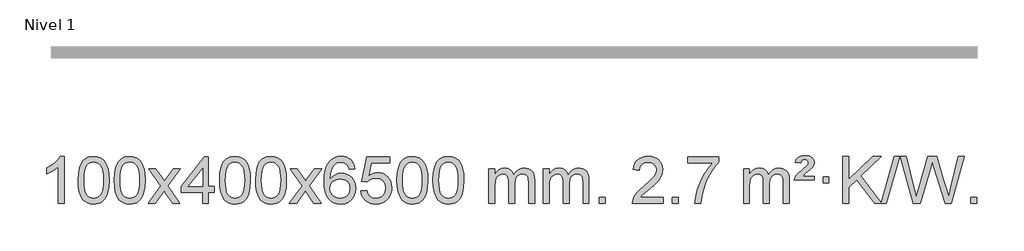
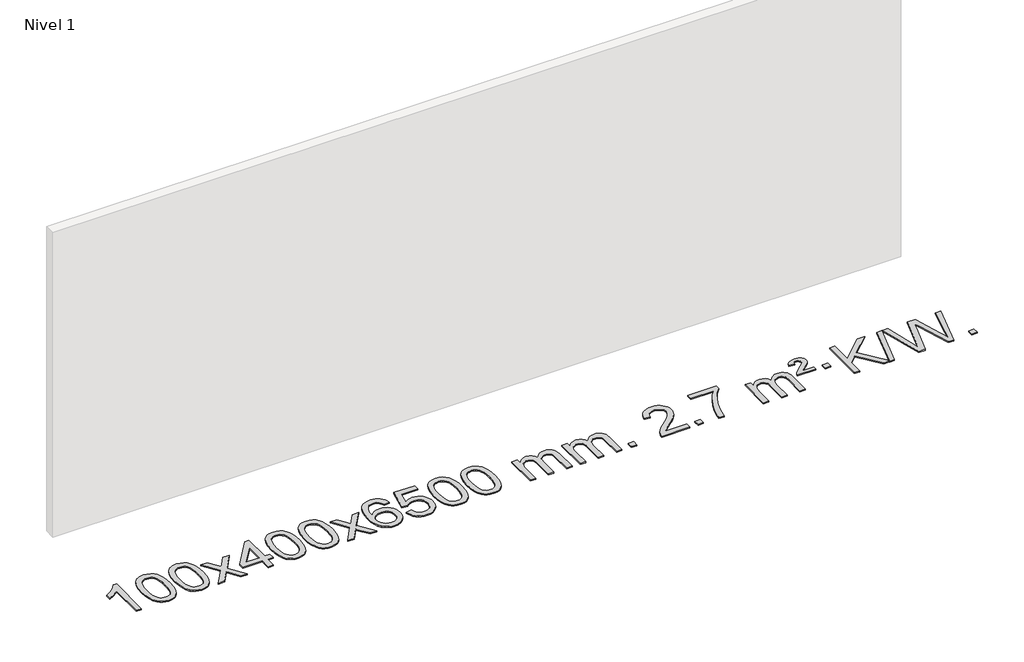
# One storey, part 2 of 21: 1 proxy.
"""IFC4 building model written with IfcOpenShell, lengths in millimetres."""

from ifc_helpers import new_model, si_unit, origin, origin_with_axes, place, context, project, spatial, polyline, outline, extrude, element, save

model = new_model("IFC4")

# Units and contexts
model_context = context("Model", 3, world=origin())
ifc_project = project(units=[si_unit("LENGTHUNIT", "METRE", prefix="MILLI")], contexts=[model_context])

# Site, building, storey
site = spatial("IfcSite", under=ifc_project)
building = spatial("IfcBuilding", under=site)
storey = spatial("IfcBuildingStorey", under=building, Name="Nivel 1", Elevation=0.0)

# Proxy
placement = place(None, origin())
element("IfcBuildingElementProxy", 1, Name="Texto de modelo 1", ObjectType="Texto de modelo 1", at=placement, inside=storey, context=model_context, shape_type="SweptSolid", body=[
    extrude(outline(polyline([(-12921.6378538, -15465.579453), (-12971.8660089, -15465.579453), (-12971.8660089, -15152.4382987), (-12992.8352826, -15169.3976587), (-13019.4454136, -15186.3324932), (-13072.3223191, -15211.6918254), (-13072.3223191, -15164.2105225), (-13032.8731065, -15142.7507395), (-12998.6968691, -15117.219729), (-12971.7556443, -15090.0700378), (-12954.0114694, -15063.7542124), (-12921.6378538, -15063.7542124), (-12921.6378538, -15465.579453)])), origin_with_axes(), (0.0, 0.0, 1.0), 10.0),
    extrude(outline(polyline([(-12802.3459855, -15267.9041943), (-12798.6549029, -15203.5861588), (-12787.5816548, -15152.2911459), (-12769.236606, -15113.2343407), (-12757.378543, -15098.0009605), (-12743.730121, -15085.6309284), (-12728.2453547, -15076.0598651), (-12710.8782588, -15069.2233914), (-12670.4970785, -15063.7542124), (-12639.5459399, -15066.991574), (-12611.832163, -15076.7036586), (-12588.6555973, -15092.5103217), (-12571.3160926, -15114.0314184), (-12558.2194935, -15141.0830078), (-12547.7716449, -15173.4811488), (-12540.9290398, -15214.6226186), (-12538.6481714, -15267.9041943), (-12542.3024659, -15331.8543477), (-12553.2653493, -15383.0267333), (-12571.5000336, -15422.1203266), (-12583.3305054, -15437.3996922), (-12596.9697304, -15449.8341036), (-12612.4728908, -15459.4695462), (-12629.8951689, -15466.3520052), (-12670.4970785, -15471.8579724), (-12698.1618045, -15469.4667394), (-12722.6872709, -15462.2930405), (-12744.0734775, -15450.3368757), (-12762.3204245, -15433.5982449), (-12779.8316074, -15403.3399508), (-12792.3395953, -15365.6381776), (-12799.844388, -15320.4929255), (-12802.3459855, -15267.9041943)]), holes=[polyline([(-12752.1178305, -15267.8060924), (-12750.6463025, -15311.4706195), (-12746.2317185, -15346.8148822), (-12738.8740786, -15373.8388804), (-12728.5733828, -15392.5426142), (-12716.1144459, -15405.2682656), (-12702.2820829, -15414.3580165), (-12687.0762937, -15419.8118671), (-12670.4970785, -15421.6298173), (-12653.9178632, -15419.8057357), (-12638.7120741, -15414.3334911), (-12624.8797111, -15405.2130833), (-12612.4207742, -15392.4445124), (-12602.1200783, -15373.7101217), (-12594.7624384, -15346.6922549), (-12590.3478545, -15311.3909118), (-12588.8763265, -15267.8060924), (-12590.2988035, -15225.2973278), (-12594.5662347, -15190.5753989), (-12601.6786199, -15163.6403055), (-12611.6359592, -15144.4920476), (-12623.8864297, -15131.1440625), (-12637.8782082, -15121.6097875), (-12653.6112949, -15115.8892225), (-12671.0856897, -15113.9823675), (-12687.5790658, -15115.6623619), (-12702.5273375, -15120.7023452), (-12715.9305049, -15129.1023175), (-12727.7885679, -15140.8622786), (-12738.4326203, -15161.708925), (-12746.0355148, -15189.8151094), (-12750.5972516, -15225.1808319), (-12752.1178305, -15267.8060924)])]), origin_with_axes(), (0.0, 0.0, 1.0), 10.0),
    extrude(outline(polyline([(-12494.6985357, -15267.9041943), (-12491.007453, -15203.5861588), (-12479.934205, -15152.2911459), (-12461.5891561, -15113.2343407), (-12449.7310932, -15098.0009605), (-12436.0826711, -15085.6309284), (-12420.5979048, -15076.0598651), (-12403.230809, -15069.2233914), (-12362.8496286, -15063.7542124), (-12331.8984901, -15066.991574), (-12304.1847131, -15076.7036586), (-12281.0081474, -15092.5103217), (-12263.6686427, -15114.0314184), (-12250.5720437, -15141.0830078), (-12240.1241951, -15173.4811488), (-12233.2815899, -15214.6226186), (-12231.0007216, -15267.9041943), (-12234.6550161, -15331.8543477), (-12245.6178995, -15383.0267333), (-12263.8525837, -15422.1203266), (-12275.6830556, -15437.3996922), (-12289.3222805, -15449.8341036), (-12304.825441, -15459.4695462), (-12322.2477191, -15466.3520052), (-12362.8496286, -15471.8579724), (-12390.5143547, -15469.4667394), (-12415.039821, -15462.2930405), (-12436.4260277, -15450.3368757), (-12454.6729746, -15433.5982449), (-12472.1841576, -15403.3399508), (-12484.6921454, -15365.6381776), (-12492.1969381, -15320.4929255), (-12494.6985357, -15267.9041943)]), holes=[polyline([(-12444.4703806, -15267.8060924), (-12442.9988527, -15311.4706195), (-12438.5842687, -15346.8148822), (-12431.2266288, -15373.8388804), (-12420.9259329, -15392.5426142), (-12408.466996, -15405.2682656), (-12394.634633, -15414.3580165), (-12379.4288439, -15419.8118671), (-12362.8496286, -15421.6298173), (-12346.2704134, -15419.8057357), (-12331.0646243, -15414.3334911), (-12317.2322612, -15405.2130833), (-12304.7733243, -15392.4445124), (-12294.4726285, -15373.7101217), (-12287.1149886, -15346.6922549), (-12282.7004046, -15311.3909118), (-12281.2288766, -15267.8060924), (-12282.6513537, -15225.2973278), (-12286.9187848, -15190.5753989), (-12294.0311701, -15163.6403055), (-12303.9885094, -15144.4920476), (-12316.2389799, -15131.1440625), (-12330.2307584, -15121.6097875), (-12345.9638451, -15115.8892225), (-12363.4382398, -15113.9823675), (-12379.931616, -15115.6623619), (-12394.8798877, -15120.7023452), (-12408.283055, -15129.1023175), (-12420.141118, -15140.8622786), (-12430.7851704, -15161.708925), (-12438.388065, -15189.8151094), (-12442.9498017, -15225.1808319), (-12444.4703806, -15267.8060924)])]), origin_with_axes(), (0.0, 0.0, 1.0), 10.0),
    extrude(outline(polyline([(-12205.886644, -15465.579453), (-12098.5632033, -15317.2494325), (-12199.6081246, -15170.4890419), (-12139.1773756, -15170.4890419), (-12090.4207485, -15241.122385), (-12067.6611157, -15274.4770192), (-12047.9426408, -15247.2047007), (-11992.416985, -15170.4890419), (-11931.9862359, -15170.4890419), (-12038.1324542, -15317.2494325), (-11935.9103105, -15465.579453), (-11996.3410596, -15465.579453), (-12057.8509292, -15376.4048574), (-12069.1326437, -15360.1199477), (-12145.455895, -15465.579453), (-12205.886644, -15465.579453)])), origin_with_axes(), (0.0, 0.0, 1.0), 10.0),
    extrude(outline(polyline([(-11741.2762096, -15465.579453), (-11741.2762096, -15371.4016622), (-11923.3532717, -15371.4016622), (-11923.3532717, -15321.1735072), (-11728.7191708, -15070.0327318), (-11691.0480545, -15070.0327318), (-11691.0480545, -15321.1735072), (-11640.8198994, -15321.1735072), (-11640.8198994, -15371.4016622), (-11691.0480545, -15371.4016622), (-11691.0480545, -15465.579453), (-11741.2762096, -15465.579453)]), holes=[polyline([(-11741.2762096, -15321.1735072), (-11741.2762096, -15165.9763561), (-11861.5490965, -15321.1735072), (-11741.2762096, -15321.1735072)])]), origin_with_axes(), (0.0, 0.0, 1.0), 10.0),
    extrude(outline(polyline([(-11596.8702638, -15267.9041943), (-11593.1791811, -15203.5861588), (-11582.105933, -15152.2911459), (-11563.7608842, -15113.2343407), (-11551.9028212, -15098.0009605), (-11538.2543992, -15085.6309284), (-11522.7696329, -15076.0598651), (-11505.402537, -15069.2233914), (-11465.0213567, -15063.7542124), (-11434.0702182, -15066.991574), (-11406.3564412, -15076.7036586), (-11383.1798755, -15092.5103217), (-11365.8403708, -15114.0314184), (-11352.7437718, -15141.0830078), (-11342.2959231, -15173.4811488), (-11335.453318, -15214.6226186), (-11333.1724496, -15267.9041943), (-11336.8267441, -15331.8543477), (-11347.7896275, -15383.0267333), (-11366.0243118, -15422.1203266), (-11377.8547836, -15437.3996922), (-11391.4940086, -15449.8341036), (-11406.997169, -15459.4695462), (-11424.4194471, -15466.3520052), (-11465.0213567, -15471.8579724), (-11492.6860827, -15469.4667394), (-11517.2115491, -15462.2930405), (-11538.5977557, -15450.3368757), (-11556.8447027, -15433.5982449), (-11574.3558856, -15403.3399508), (-11586.8638735, -15365.6381776), (-11594.3686662, -15320.4929255), (-11596.8702638, -15267.9041943)]), holes=[polyline([(-11546.6421087, -15267.8060924), (-11545.1705807, -15311.4706195), (-11540.7559968, -15346.8148822), (-11533.3983568, -15373.8388804), (-11523.097661, -15392.5426142), (-11510.6387241, -15405.2682656), (-11496.8063611, -15414.3580165), (-11481.6005719, -15419.8118671), (-11465.0213567, -15421.6298173), (-11448.4421414, -15419.8057357), (-11433.2363523, -15414.3334911), (-11419.4039893, -15405.2130833), (-11406.9450524, -15392.4445124), (-11396.6443565, -15373.7101217), (-11389.2867166, -15346.6922549), (-11384.8721327, -15311.3909118), (-11383.4006047, -15267.8060924), (-11384.8230817, -15225.2973278), (-11389.0905129, -15190.5753989), (-11396.2028981, -15163.6403055), (-11406.1602375, -15144.4920476), (-11418.4107079, -15131.1440625), (-11432.4024864, -15121.6097875), (-11448.1355731, -15115.8892225), (-11465.6099679, -15113.9823675), (-11482.103344, -15115.6623619), (-11497.0516157, -15120.7023452), (-11510.4547831, -15129.1023175), (-11522.3128461, -15140.8622786), (-11532.9568985, -15161.708925), (-11540.559793, -15189.8151094), (-11545.1215298, -15225.1808319), (-11546.6421087, -15267.8060924)])]), origin_with_axes(), (0.0, 0.0, 1.0), 10.0),
    extrude(outline(polyline([(-11289.2228139, -15267.9041943), (-11285.5317312, -15203.5861588), (-11274.4584832, -15152.2911459), (-11256.1134344, -15113.2343407), (-11244.2553714, -15098.0009605), (-11230.6069494, -15085.6309284), (-11215.122183, -15076.0598651), (-11197.7550872, -15069.2233914), (-11157.3739068, -15063.7542124), (-11126.4227683, -15066.991574), (-11098.7089913, -15076.7036586), (-11075.5324257, -15092.5103217), (-11058.1929209, -15114.0314184), (-11045.0963219, -15141.0830078), (-11034.6484733, -15173.4811488), (-11027.8058681, -15214.6226186), (-11025.5249998, -15267.9041943), (-11029.1792943, -15331.8543477), (-11040.1421777, -15383.0267333), (-11058.3768619, -15422.1203266), (-11070.2073338, -15437.3996922), (-11083.8465587, -15449.8341036), (-11099.3497192, -15459.4695462), (-11116.7719973, -15466.3520052), (-11157.3739068, -15471.8579724), (-11185.0386329, -15469.4667394), (-11209.5640992, -15462.2930405), (-11230.9503059, -15450.3368757), (-11249.1972528, -15433.5982449), (-11266.7084358, -15403.3399508), (-11279.2164236, -15365.6381776), (-11286.7212164, -15320.4929255), (-11289.2228139, -15267.9041943)]), holes=[polyline([(-11238.9946588, -15267.8060924), (-11237.5231309, -15311.4706195), (-11233.1085469, -15346.8148822), (-11225.750907, -15373.8388804), (-11215.4502112, -15392.5426142), (-11202.9912742, -15405.2682656), (-11189.1589112, -15414.3580165), (-11173.9531221, -15419.8118671), (-11157.3739068, -15421.6298173), (-11140.7946916, -15419.8057357), (-11125.5889025, -15414.3334911), (-11111.7565394, -15405.2130833), (-11099.2976025, -15392.4445124), (-11088.9969067, -15373.7101217), (-11081.6392668, -15346.6922549), (-11077.2246828, -15311.3909118), (-11075.7531548, -15267.8060924), (-11077.1756319, -15225.2973278), (-11081.443063, -15190.5753989), (-11088.5554483, -15163.6403055), (-11098.5127876, -15144.4920476), (-11110.7632581, -15131.1440625), (-11124.7550366, -15121.6097875), (-11140.4881233, -15115.8892225), (-11157.962518, -15113.9823675), (-11174.4558942, -15115.6623619), (-11189.4041659, -15120.7023452), (-11202.8073333, -15129.1023175), (-11214.6653962, -15140.8622786), (-11225.3094486, -15161.708925), (-11232.9123432, -15189.8151094), (-11237.4740799, -15225.1808319), (-11238.9946588, -15267.8060924)])]), origin_with_axes(), (0.0, 0.0, 1.0), 10.0),
    extrude(outline(polyline([(-11000.4109222, -15465.579453), (-10893.0874815, -15317.2494325), (-10994.1324029, -15170.4890419), (-10933.7016538, -15170.4890419), (-10884.9450267, -15241.122385), (-10862.1853939, -15274.4770192), (-10842.466919, -15247.2047007), (-10786.9412632, -15170.4890419), (-10726.5105141, -15170.4890419), (-10832.6567324, -15317.2494325), (-10730.4345887, -15465.579453), (-10790.8653378, -15465.579453), (-10852.3752074, -15376.4048574), (-10863.6569219, -15360.1199477), (-10939.9801732, -15465.579453), (-11000.4109222, -15465.579453)])), origin_with_axes(), (0.0, 0.0, 1.0), 10.0),
    extrude(outline(polyline([(-10441.622697, -15170.4890419), (-10491.8508521, -15176.7675613), (-10499.944256, -15151.874213), (-10510.882614, -15134.8780648), (-10533.6667722, -15119.2062918), (-10561.2088709, -15113.9823675), (-10584.5571149, -15117.0235253), (-10606.5319327, -15126.1469988), (-10625.4042791, -15145.3627017), (-10640.8185347, -15171.8134171), (-10651.2295951, -15209.227016), (-10655.0923561, -15261.3313693), (-10634.9446855, -15237.8237098), (-10610.7993639, -15221.2567573), (-10584.0052919, -15211.434308), (-10555.9113702, -15208.1601582), (-10531.7783113, -15210.398107), (-10509.5091879, -15217.1119534), (-10489.1039999, -15228.3016975), (-10470.5627473, -15243.9673391), (-10455.1546231, -15263.1769106), (-10444.1488201, -15284.9984443), (-10437.5453383, -15309.4319401), (-10435.3441776, -15336.4773982), (-10439.4889815, -15372.4439945), (-10451.9233929, -15405.786366), (-10471.6173424, -15434.0642287), (-10497.5407603, -15454.8372987), (-10528.5164243, -15467.602804), (-10563.367112, -15471.8579724), (-10593.3096407, -15469.0375437), (-10620.352033, -15460.5762579), (-10644.494289, -15446.4741147), (-10665.7364085, -15426.7311143), (-10683.0544534, -15400.5133908), (-10695.4244855, -15366.9870783), (-10702.8465048, -15326.1521768), (-10705.3205112, -15278.0086864), (-10702.5736589, -15224.0342663), (-10694.3331023, -15177.9693092), (-10680.5988411, -15139.8138149), (-10661.3708755, -15109.5677835), (-10640.5303605, -15089.5243462), (-10616.3666447, -15075.2076052), (-10588.8797283, -15066.6175606), (-10558.0696112, -15063.7542124), (-10534.9359651, -15065.5261773), (-10513.9973482, -15070.8420722), (-10495.2537606, -15079.7018969), (-10478.7052021, -15092.1056515), (-10464.7992627, -15107.6364031), (-10453.9835321, -15125.8772186), (-10446.2580102, -15146.8280983), (-10441.622697, -15170.4890419)]), holes=[polyline([(-10655.0923561, -15335.6925832), (-10652.1860883, -15357.9494439), (-10643.4672851, -15379.2007605), (-10629.9292276, -15397.472233), (-10612.5651975, -15410.7895612), (-10591.6081865, -15418.9197533), (-10567.2911866, -15421.6298173), (-10534.1450188, -15416.0134855), (-10520.2298823, -15408.9930708), (-10508.0867108, -15399.1644901), (-10498.2366704, -15386.9262824), (-10491.2009272, -15372.6769865), (-10485.5723327, -15338.1451299), (-10491.1273508, -15304.9989621), (-10498.0711235, -15291.3781312), (-10507.7924052, -15279.725469), (-10519.972365, -15270.3904634), (-10534.2921716, -15263.7226022), (-10569.3513258, -15258.3883133), (-10602.4484426, -15263.7226022), (-10630.1254314, -15279.725469), (-10641.0484609, -15291.2248471), (-10648.8506249, -15304.3858254), (-10653.5319233, -15319.2084042), (-10655.0923561, -15335.6925832)])]), origin_with_axes(), (0.0, 0.0, 1.0), 10.0),
    extrude(outline(polyline([(-10391.394542, -15358.8446235), (-10341.1663869, -15352.5661041), (-10331.9448115, -15382.7201649), (-10315.8561056, -15404.3148381), (-10292.9738455, -15417.3010725), (-10263.3716076, -15421.6298173), (-10244.2417439, -15420.1245668), (-10227.368223, -15415.6088153), (-10212.7510451, -15408.0825628), (-10200.3902101, -15397.5458094), (-10190.5616294, -15384.519721), (-10183.5412147, -15369.5254641), (-10177.9248829, -15333.6324441), (-10183.1855954, -15299.8363514), (-10189.7614861, -15285.9181493), (-10198.967733, -15273.9865099), (-10210.834993, -15264.4154467), (-10225.393923, -15257.5789729), (-10262.5867927, -15252.1097939), (-10286.9528435, -15254.2925604), (-10306.6835812, -15260.8408599), (-10322.4411933, -15270.8717757), (-10334.8878675, -15283.5023908), (-10385.1160226, -15277.2238715), (-10341.1663869, -15070.0327318), (-10146.532286, -15070.0327318), (-10146.532286, -15120.2608869), (-10300.5522146, -15120.2608869), (-10322.0365231, -15230.919791), (-10304.3107423, -15218.2155994), (-10286.1557659, -15209.1411769), (-10267.5715937, -15203.6965234), (-10248.558226, -15201.8816388), (-10224.097139, -15204.1318504), (-10201.6287461, -15210.882485), (-10181.1530474, -15222.1335427), (-10162.6700428, -15237.8850234), (-10147.3692175, -15257.1743027), (-10136.4400566, -15279.038756), (-10129.88256, -15303.4783832), (-10127.6967278, -15330.4931844), (-10129.6648965, -15356.5147042), (-10135.5694025, -15380.7213394), (-10145.4102459, -15403.1130902), (-10159.1874266, -15423.6899565), (-10180.0585985, -15444.7634634), (-10204.4123865, -15459.8159684), (-10232.2487908, -15468.8474714), (-10263.5678114, -15471.8579724), (-10289.4881636, -15469.9235262), (-10312.9007869, -15464.1201877), (-10333.8056813, -15454.447957), (-10352.2028467, -15440.9068338), (-10367.5098034, -15424.1712688), (-10379.1440715, -15404.915712), (-10387.105651, -15383.1401636), (-10391.394542, -15358.8446235)])), origin_with_axes(), (0.0, 0.0, 1.0), 10.0),
    extrude(outline(polyline([(-10083.7470921, -15267.9041943), (-10080.0560094, -15203.5861588), (-10068.9827614, -15152.2911459), (-10050.6377126, -15113.2343407), (-10038.7796496, -15098.0009605), (-10025.1312276, -15085.6309284), (-10009.6464612, -15076.0598651), (-9992.2793654, -15069.2233914), (-9951.8981851, -15063.7542124), (-9920.9470465, -15066.991574), (-9893.2332696, -15076.7036586), (-9870.0567039, -15092.5103217), (-9852.7171992, -15114.0314184), (-9839.6206001, -15141.0830078), (-9829.1727515, -15173.4811488), (-9822.3301463, -15214.6226186), (-9820.049278, -15267.9041943), (-9823.7035725, -15331.8543477), (-9834.6664559, -15383.0267333), (-9852.9011401, -15422.1203266), (-9864.731612, -15437.3996922), (-9878.3708369, -15449.8341036), (-9893.8739974, -15459.4695462), (-9911.2962755, -15466.3520052), (-9951.8981851, -15471.8579724), (-9979.5629111, -15469.4667394), (-10004.0883774, -15462.2930405), (-10025.4745841, -15450.3368757), (-10043.721531, -15433.5982449), (-10061.232714, -15403.3399508), (-10073.7407019, -15365.6381776), (-10081.2454946, -15320.4929255), (-10083.7470921, -15267.9041943)]), holes=[polyline([(-10033.518937, -15267.8060924), (-10032.0474091, -15311.4706195), (-10027.6328251, -15346.8148822), (-10020.2751852, -15373.8388804), (-10009.9744894, -15392.5426142), (-9997.5155525, -15405.2682656), (-9983.6831894, -15414.3580165), (-9968.4774003, -15419.8118671), (-9951.8981851, -15421.6298173), (-9935.3189698, -15419.8057357), (-9920.1131807, -15414.3334911), (-9906.2808176, -15405.2130833), (-9893.8218807, -15392.4445124), (-9883.5211849, -15373.7101217), (-9876.163545, -15346.6922549), (-9871.748961, -15311.3909118), (-9870.2774331, -15267.8060924), (-9871.6999101, -15225.2973278), (-9875.9673412, -15190.5753989), (-9883.0797265, -15163.6403055), (-9893.0370658, -15144.4920476), (-9905.2875363, -15131.1440625), (-9919.2793148, -15121.6097875), (-9935.0124015, -15115.8892225), (-9952.4867962, -15113.9823675), (-9968.9801724, -15115.6623619), (-9983.9284441, -15120.7023452), (-9997.3316115, -15129.1023175), (-10009.1896744, -15140.8622786), (-10019.8337268, -15161.708925), (-10027.4366214, -15189.8151094), (-10031.9983581, -15225.1808319), (-10033.518937, -15267.8060924)])]), origin_with_axes(), (0.0, 0.0, 1.0), 10.0),
    extrude(outline(polyline([(-9776.0996423, -15267.9041943), (-9772.4085596, -15203.5861588), (-9761.3353115, -15152.2911459), (-9742.9902627, -15113.2343407), (-9731.1321997, -15098.0009605), (-9717.4837777, -15085.6309284), (-9701.9990114, -15076.0598651), (-9684.6319156, -15069.2233914), (-9644.2507352, -15063.7542124), (-9613.2995967, -15066.991574), (-9585.5858197, -15076.7036586), (-9562.409254, -15092.5103217), (-9545.0697493, -15114.0314184), (-9531.9731503, -15141.0830078), (-9521.5253016, -15173.4811488), (-9514.6826965, -15214.6226186), (-9512.4018281, -15267.9041943), (-9516.0561226, -15331.8543477), (-9527.0190061, -15383.0267333), (-9545.2536903, -15422.1203266), (-9557.0841621, -15437.3996922), (-9570.7233871, -15449.8341036), (-9586.2265475, -15459.4695462), (-9603.6488257, -15466.3520052), (-9644.2507352, -15471.8579724), (-9671.9154613, -15469.4667394), (-9696.4409276, -15462.2930405), (-9717.8271343, -15450.3368757), (-9736.0740812, -15433.5982449), (-9753.5852642, -15403.3399508), (-9766.093252, -15365.6381776), (-9773.5980447, -15320.4929255), (-9776.0996423, -15267.9041943)]), holes=[polyline([(-9725.8714872, -15267.8060924), (-9724.3999592, -15311.4706195), (-9719.9853753, -15346.8148822), (-9712.6277354, -15373.8388804), (-9702.3270395, -15392.5426142), (-9689.8681026, -15405.2682656), (-9676.0357396, -15414.3580165), (-9660.8299505, -15419.8118671), (-9644.2507352, -15421.6298173), (-9627.67152, -15419.8057357), (-9612.4657308, -15414.3334911), (-9598.6333678, -15405.2130833), (-9586.1744309, -15392.4445124), (-9575.873735, -15373.7101217), (-9568.5160951, -15346.6922549), (-9564.1015112, -15311.3909118), (-9562.6299832, -15267.8060924), (-9564.0524603, -15225.2973278), (-9568.3198914, -15190.5753989), (-9575.4322767, -15163.6403055), (-9585.389616, -15144.4920476), (-9597.6400864, -15131.1440625), (-9611.631865, -15121.6097875), (-9627.3649516, -15115.8892225), (-9644.8393464, -15113.9823675), (-9661.3327225, -15115.6623619), (-9676.2809943, -15120.7023452), (-9689.6841616, -15129.1023175), (-9701.5422246, -15140.8622786), (-9712.186277, -15161.708925), (-9719.7891716, -15189.8151094), (-9724.3509083, -15225.1808319), (-9725.8714872, -15267.8060924)])]), origin_with_axes(), (0.0, 0.0, 1.0), 10.0),
    extrude(outline(polyline([(-9298.9321691, -15465.579453), (-9298.9321691, -15170.4890419), (-9248.704014, -15170.4890419), (-9248.704014, -15219.0494653), (-9233.5963267, -15196.7435537), (-9214.1721574, -15179.2691589), (-9191.0936936, -15167.9751816), (-9165.0231228, -15164.2105225), (-9137.0886167, -15168.048758), (-9114.6968659, -15179.5634645), (-9097.9704978, -15197.9943524), (-9087.0321399, -15222.5811324), (-9068.7238792, -15197.0439906), (-9047.8404446, -15178.803175), (-9024.3818361, -15167.8586857), (-8998.3480536, -15164.2105225), (-8978.2402368, -15165.7280358), (-8960.5910981, -15170.2805755), (-8945.4006374, -15177.8681416), (-8932.6688547, -15188.4907342), (-8922.6042164, -15202.2709806), (-8915.4151891, -15219.3315082), (-8911.1017727, -15239.6723168), (-8909.6639672, -15263.2934066), (-8909.6639672, -15465.579453), (-8959.8921223, -15465.579453), (-8959.8921223, -15284.875817), (-8961.057082, -15259.8230531), (-8964.5519609, -15242.9372695), (-8971.1002604, -15231.3735121), (-8981.4254818, -15222.2868268), (-8994.7060218, -15216.4007149), (-9010.1202774, -15214.4386776), (-9037.3312823, -15219.4663982), (-9059.5145666, -15234.54956), (-9068.1199396, -15246.1194488), (-9074.2666346, -15260.7182326), (-9079.1839906, -15299.0024856), (-9079.1839906, -15465.579453), (-9129.4121457, -15465.579453), (-9129.4121457, -15279.2840106), (-9132.3184135, -15250.8835206), (-9141.0372167, -15230.6254854), (-9156.3778959, -15218.4853796), (-9179.1497914, -15214.4386776), (-9198.5003844, -15217.1364789), (-9216.3303984, -15225.2298828), (-9231.0456782, -15238.5226856), (-9241.0520685, -15256.8186835), (-9246.7910276, -15282.2025411), (-9248.704014, -15316.7589232), (-9248.704014, -15465.579453), (-9298.9321691, -15465.579453)])), origin_with_axes(), (0.0, 0.0, 1.0), 10.0),
    extrude(outline(polyline([(-8834.3217346, -15465.579453), (-8834.3217346, -15170.4890419), (-8784.0935796, -15170.4890419), (-8784.0935796, -15219.0494653), (-8768.9858923, -15196.7435537), (-8749.5617229, -15179.2691589), (-8726.4832591, -15167.9751816), (-8700.4126884, -15164.2105225), (-8672.4781822, -15168.048758), (-8650.0864315, -15179.5634645), (-8633.3600634, -15197.9943524), (-8622.4217054, -15222.5811324), (-8604.1134448, -15197.0439906), (-8583.2300102, -15178.803175), (-8559.7714016, -15167.8586857), (-8533.7376191, -15164.2105225), (-8513.6298024, -15165.7280358), (-8495.9806637, -15170.2805755), (-8480.790203, -15177.8681416), (-8468.0584202, -15188.4907342), (-8457.993782, -15202.2709806), (-8450.8047547, -15219.3315082), (-8446.4913383, -15239.6723168), (-8445.0535328, -15263.2934066), (-8445.0535328, -15465.579453), (-8495.2816879, -15465.579453), (-8495.2816879, -15284.875817), (-8496.4466475, -15259.8230531), (-8499.9415265, -15242.9372695), (-8506.489826, -15231.3735121), (-8516.8150473, -15222.2868268), (-8530.0955874, -15216.4007149), (-8545.509843, -15214.4386776), (-8572.7208479, -15219.4663982), (-8594.9041322, -15234.54956), (-8603.5095052, -15246.1194488), (-8609.6562002, -15260.7182326), (-8614.5735562, -15299.0024856), (-8614.5735562, -15465.579453), (-8664.8017113, -15465.579453), (-8664.8017113, -15279.2840106), (-8667.707979, -15250.8835206), (-8676.4267823, -15230.6254854), (-8691.7674615, -15218.4853796), (-8714.539357, -15214.4386776), (-8733.88995, -15217.1364789), (-8751.719964, -15225.2298828), (-8766.4352438, -15238.5226856), (-8776.4416341, -15256.8186835), (-8782.1805932, -15282.2025411), (-8784.0935796, -15316.7589232), (-8784.0935796, -15465.579453), (-8834.3217346, -15465.579453)])), origin_with_axes(), (0.0, 0.0, 1.0), 10.0),
    extrude(outline(polyline([(-8357.1542614, -15465.579453), (-8357.1542614, -15415.3512979), (-8306.9261064, -15415.3512979), (-8306.9261064, -15465.579453), (-8357.1542614, -15465.579453)])), origin_with_axes(), (0.0, 0.0, 1.0), 10.0),
    extrude(outline(polyline([(-7810.923075, -15415.3512979), (-7810.923075, -15465.579453), (-8074.6208891, -15465.579453), (-8073.5172431, -15447.8965918), (-8069.2252865, -15430.9494945), (-8056.839926, -15403.8856424), (-8038.7156064, -15377.6311307), (-8012.4978829, -15350.1503456), (-7975.8323107, -15319.4076736), (-7921.6310301, -15271.2641831), (-7889.1102617, -15235.7267824), (-7872.8498775, -15206.884834), (-7867.4297494, -15178.8277005), (-7872.5433092, -15153.6768347), (-7887.8839884, -15132.7688747), (-7911.4652243, -15118.6789943), (-7941.3004541, -15113.9823675), (-7972.6317373, -15118.5686297), (-7996.9732627, -15132.3274163), (-8012.6818239, -15154.1796068), (-8018.1142147, -15183.0460807), (-8068.3423697, -15176.7675613), (-8064.022822, -15150.838012), (-8056.1654757, -15128.1826125), (-8044.7703309, -15108.8013627), (-8029.8373876, -15092.6942627), (-8011.7100023, -15080.0329907), (-7990.7315315, -15070.989225), (-7966.9019753, -15065.5629655), (-7940.2213336, -15063.7542124), (-7913.3015686, -15065.7653006), (-7889.3432536, -15071.7985654), (-7868.3463888, -15081.8540066), (-7850.3109739, -15095.9316242), (-7835.8256204, -15112.9890861), (-7825.4789393, -15131.9840598), (-7819.2709306, -15152.9165453), (-7817.2015944, -15175.7865427), (-7819.4334118, -15199.8092369), (-7826.1288641, -15223.4149983), (-7838.0114526, -15247.4254299), (-7855.8046784, -15272.6621347), (-7884.1683802, -15302.7916701), (-7927.7623967, -15341.4805933), (-7985.5443954, -15389.795762), (-8008.2059263, -15415.3512979), (-7810.923075, -15415.3512979)])), origin_with_axes(), (0.0, 0.0, 1.0), 10.0),
    extrude(outline(polyline([(-7735.5808424, -15465.579453), (-7735.5808424, -15415.3512979), (-7685.3526873, -15415.3512979), (-7685.3526873, -15465.579453), (-7735.5808424, -15465.579453)])), origin_with_axes(), (0.0, 0.0, 1.0), 10.0),
    extrude(outline(polyline([(-7603.7319353, -15120.2608869), (-7603.7319353, -15070.0327318), (-7340.0341212, -15070.0327318), (-7340.0341212, -15110.646904), (-7377.6193983, -15158.214046), (-7414.8367935, -15218.7061088), (-7447.6641302, -15286.6048623), (-7472.079232, -15356.3920768), (-7484.0476595, -15408.6067947), (-7490.7185864, -15465.579453), (-7540.9467415, -15465.579453), (-7535.5143507, -15413.8061935), (-7520.9830119, -15352.2717985), (-7497.7451325, -15287.0463207), (-7466.19312, -15224.1998132), (-7429.3558696, -15167.3865704), (-7390.2622762, -15120.2608869), (-7603.7319353, -15120.2608869)])), origin_with_axes(), (0.0, 0.0, 1.0), 10.0),
    extrude(outline(polyline([(-7126.5644621, -15465.579453), (-7126.5644621, -15170.4890419), (-7076.336307, -15170.4890419), (-7076.336307, -15219.0494653), (-7061.2286197, -15196.7435537), (-7041.8044504, -15179.2691589), (-7018.7259866, -15167.9751816), (-6992.6554158, -15164.2105225), (-6964.7209097, -15168.048758), (-6942.3291589, -15179.5634645), (-6925.6027909, -15197.9943524), (-6914.6644329, -15222.5811324), (-6896.3561722, -15197.0439906), (-6875.4727377, -15178.803175), (-6852.0141291, -15167.8586857), (-6825.9803466, -15164.2105225), (-6805.8725298, -15165.7280358), (-6788.2233911, -15170.2805755), (-6773.0329304, -15177.8681416), (-6760.3011477, -15188.4907342), (-6750.2365094, -15202.2709806), (-6743.0474821, -15219.3315082), (-6738.7340657, -15239.6723168), (-6737.2962603, -15263.2934066), (-6737.2962603, -15465.579453), (-6787.5244153, -15465.579453), (-6787.5244153, -15284.875817), (-6788.689375, -15259.8230531), (-6792.1842539, -15242.9372695), (-6798.7325535, -15231.3735121), (-6809.0577748, -15222.2868268), (-6822.3383148, -15216.4007149), (-6837.7525704, -15214.4386776), (-6864.9635753, -15219.4663982), (-6887.1468596, -15234.54956), (-6895.7522326, -15246.1194488), (-6901.8989276, -15260.7182326), (-6906.8162836, -15299.0024856), (-6906.8162836, -15465.579453), (-6957.0444387, -15465.579453), (-6957.0444387, -15279.2840106), (-6959.9507065, -15250.8835206), (-6968.6695098, -15230.6254854), (-6984.010189, -15218.4853796), (-7006.7820845, -15214.4386776), (-7026.1326774, -15217.1364789), (-7043.9626914, -15225.2298828), (-7058.6779713, -15238.5226856), (-7068.6843615, -15256.8186835), (-7074.4233206, -15282.2025411), (-7076.336307, -15316.7589232), (-7076.336307, -15465.579453), (-7126.5644621, -15465.579453)])), origin_with_axes(), (0.0, 0.0, 1.0), 10.0),
    extrude(outline(polyline([(-6693.3466246, -15264.6668327), (-6689.5206518, -15248.8479069), (-6681.1819933, -15232.9799302), (-6659.6731593, -15207.8413272), (-6627.7164766, -15180.1030247), (-6583.5706372, -15142.726214), (-6576.4337265, -15131.1992448), (-6574.0547563, -15119.3779701), (-6575.9432172, -15107.2869152), (-6581.6085999, -15097.5012541), (-6590.977328, -15091.026531), (-6603.9758252, -15088.8682899), (-6616.4102366, -15090.4869707), (-6625.26393, -15095.343013), (-6631.6896022, -15104.8098431), (-6636.8399501, -15120.2608869), (-6687.0681052, -15113.9823675), (-6676.2278491, -15088.7701881), (-6659.5995829, -15071.2099542), (-6635.834406, -15060.9092583), (-6603.5834178, -15057.475693), (-6567.8007624, -15061.6082341), (-6543.0545668, -15074.0058573), (-6528.6335926, -15092.3386434), (-6523.8266012, -15114.2766731), (-6527.9223541, -15137.1834586), (-6540.2096127, -15158.8149199), (-6560.737428, -15178.6314968), (-6597.2067965, -15206.6886303), (-6622.8113834, -15233.2742358), (-6523.8266012, -15233.2742358), (-6523.8266012, -15264.6668327), (-6693.3466246, -15264.6668327)])), origin_with_axes(), (0.0, 0.0, 1.0), 10.0),
    extrude(outline(polyline([(-6448.4843686, -15289.7809102), (-6448.4843686, -15239.5527552), (-6398.2562135, -15239.5527552), (-6398.2562135, -15289.7809102), (-6448.4843686, -15289.7809102)])), origin_with_axes(), (0.0, 0.0, 1.0), 10.0),
    extrude(outline(polyline([(-6007.6145856, -15465.579453), (-6161.045903, -15262.9009991), (-6228.7361901, -15327.4520265), (-6228.7361901, -15465.579453), (-6278.9643452, -15465.579453), (-6278.9643452, -15063.7542124), (-6228.7361901, -15063.7542124), (-6228.7361901, -15260.4484525), (-6022.7222728, -15063.7542124), (-5952.4813372, -15063.7542124), (-6125.4349259, -15228.9577537), (-5950.781316, -15459.5349332), (-5839.4679883, -15063.7542124), (-5794.1449265, -15063.7542124), (-5907.1582754, -15465.579453), (-5946.2028178, -15465.579453), (-5952.4813372, -15465.579453), (-6007.6145856, -15465.579453)])), origin_with_axes(), (0.0, 0.0, 1.0), 10.0),
    extrude(outline(polyline([(-5679.6600496, -15465.579453), (-5789.2398332, -15063.7542124), (-5737.4420483, -15063.7542124), (-5673.8720395, -15327.844434), (-5654.2516665, -15409.3670841), (-5633.2578673, -15337.2622131), (-5553.5991526, -15063.7542124), (-5478.943633, -15063.7542124), (-5421.0635325, -15262.0180823), (-5396.268286, -15335.5944814), (-5377.9968136, -15409.3670841), (-5358.9650517, -15330.1988788), (-5294.8064317, -15063.7542124), (-5243.0086468, -15063.7542124), (-5352.6865323, -15465.579453), (-5406.3482526, -15465.579453), (-5502.6842845, -15155.5775584), (-5516.12424, -15112.3146358), (-5531.2319273, -15164.4067263), (-5619.0330968, -15465.579453), (-5679.6600496, -15465.579453)])), origin_with_axes(), (0.0, 0.0, 1.0), 10.0),
    extrude(outline(polyline([(-5186.5019723, -15465.579453), (-5186.5019723, -15415.3512979), (-5136.2738173, -15415.3512979), (-5136.2738173, -15465.579453), (-5186.5019723, -15465.579453)])), origin_with_axes(), (0.0, 0.0, 1.0), 10.0),
])

save(model, "model.ifc")
